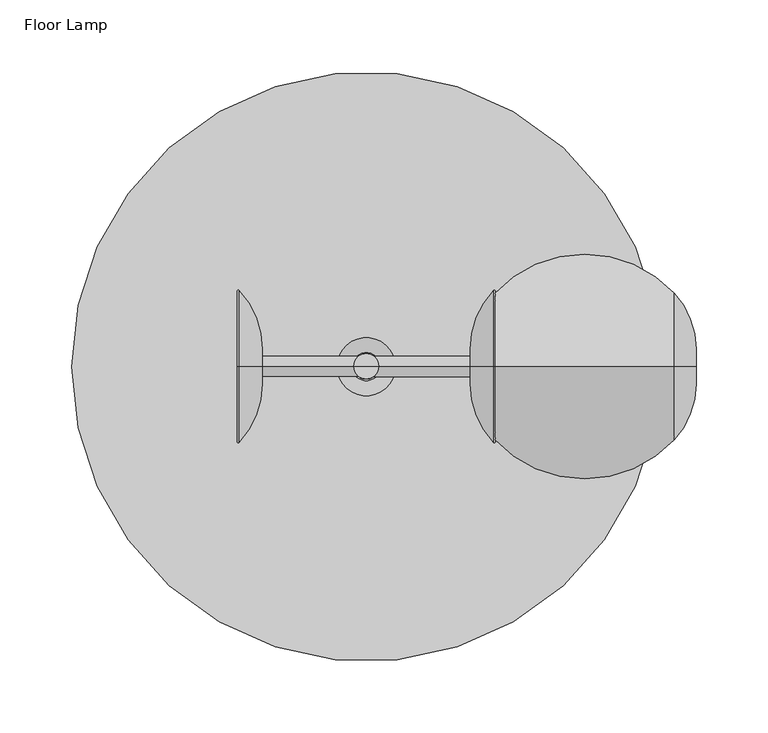
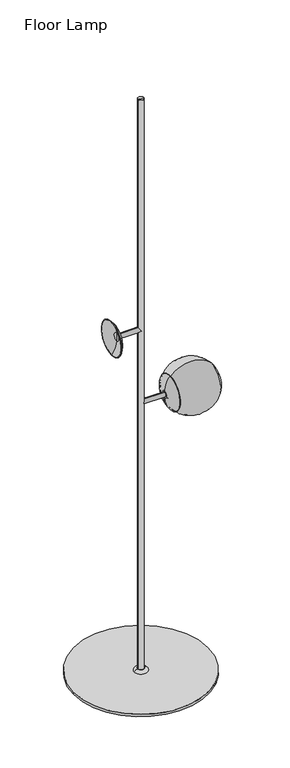
"""IFC4 building model written with IfcOpenShell, lengths in millimetres: furniture geometry, Floor Lamp."""

from ifc_helpers import new_model, si_unit, point, frame, origin, origin_with_axes, origin_2d, place, context, project, spatial, circle_curve, ellipse_curve, trimmed, segment, composite_curve, outline, extrude, source, transform, mapped, element, save
from ifc_brep_helpers import plane_surface, cylinder_surface, revolved_surface, advanced_brep


def floor_lamp_aa0b3afb(model_context):
    return source(origin(), model_context, "Body", "SolidModel", [
        advanced_brep(
        [(-72.2801091, 0.0, 1098.1680375), (-72.2801091, 0.0, 1112.24603), (-1.1967367, 0.0, 1112.24603), (-1.1967367, 0.0, 1098.1680375), (-1.1967367, 0.0, 1105.2070337), (-74.2801091, 0.0, 1105.2070337), (-74.2801091, 0.0, 1117.24603), (-74.2801091, 0.0, 1093.1680375), (-89.6540623, 0.0, 1156.5846139), (-89.6540623, 0.0, 1053.8294536), (-89.6540623, 0.0, 1158.2451876), (-89.6540623, 0.0, 1052.1688799), (-88.7916206, 0.0, 1158.5896234), (-88.7916206, 0.0, 1051.8244441), (-72.2801091, 0.0, 1117.24603), (-72.2801091, 0.0, 1093.1680375)],
        [
            (0, 1, circle_curve(frame((-72.2801091, 0.0, 1105.2070337), z_axis=(1.0, 0.0, 0.0), x_axis=(0.0, 0.0, 1.0)), 7.0389962)),
            (1, 2),
            (2, 3, circle_curve(frame((-1.1967367, 0.0, 1105.2070337), z_axis=(-1.0, 0.0, 0.0), x_axis=(0.0, 0.0, 1.0)), 7.0389962)),
            (3, 0),
            (1, 0, circle_curve(frame((-72.2801091, 0.0, 1105.2070337), z_axis=(1.0, 0.0, 0.0), x_axis=(0.0, 0.0, 1.0)), 7.0389962)),
            (3, 2, circle_curve(frame((-1.1967367, 0.0, 1105.2070337), z_axis=(-1.0, 0.0, 0.0), x_axis=(0.0, 0.0, 1.0)), 7.0389962)),
            (2, 4),
            (4, 3),
            (5, 6),
            (6, 7, circle_curve(frame((-74.2801091, 0.0, 1105.2070337), z_axis=(-1.0, 0.0, 0.0), x_axis=(0.0, 0.0, 1.0)), 12.0389962)),
            (7, 5),
            (7, 6, circle_curve(frame((-74.2801091, 0.0, 1105.2070337), z_axis=(-1.0, 0.0, 0.0), x_axis=(0.0, 0.0, 1.0)), 12.0389962)),
            (6, 8, circle_curve(frame((-132.2965023, 0.0, 1117.24603), z_axis=(0.0, -1.0, 0.0), x_axis=(-1.0, 0.0, 0.0)), 58.0163932)),
            (8, 9, circle_curve(frame((-89.6540623, 0.0, 1105.2070337), z_axis=(-1.0, 0.0, 0.0), x_axis=(0.0, 0.0, 1.0)), 51.3775801)),
            (9, 7, circle_curve(frame((-132.2965023, 0.0, 1093.1680375), z_axis=(0.0, -1.0, 0.0), x_axis=(-1.0, 0.0, 0.0)), 58.0163932)),
            (9, 8, circle_curve(frame((-89.6540623, 0.0, 1105.2070337), z_axis=(-1.0, 0.0, 0.0), x_axis=(0.0, 0.0, 1.0)), 51.3775801)),
            (8, 10),
            (10, 11, circle_curve(frame((-89.6540623, 0.0, 1105.2070337), z_axis=(-1.0, 0.0, 0.0), x_axis=(0.0, 0.0, 1.0)), 53.0381538)),
            (11, 9),
            (11, 10, circle_curve(frame((-89.6540623, 0.0, 1105.2070337), z_axis=(-1.0, 0.0, 0.0), x_axis=(0.0, 0.0, 1.0)), 53.0381538)),
            (10, 12, circle_curve(frame((-89.1540623, 0.0, 1158.2451876), z_axis=(0.0, 1.0, 0.0), x_axis=(-1.0, 0.0, 0.0)), 0.5)),
            (12, 13, circle_curve(frame((-88.7916206, 0.0, 1105.2070337), z_axis=(-1.0, 0.0, 0.0), x_axis=(0.0, 0.0, 1.0)), 53.3825897)),
            (13, 11, circle_curve(frame((-89.1540623, 0.0, 1052.1688799), z_axis=(0.0, 1.0, 0.0), x_axis=(-1.0, 0.0, 0.0)), 0.5)),
            (13, 12, circle_curve(frame((-88.7916206, 0.0, 1105.2070337), z_axis=(-1.0, 0.0, 0.0), x_axis=(0.0, 0.0, 1.0)), 53.3825897)),
            (12, 14, circle_curve(frame((-132.2965023, 0.0, 1117.24603), z_axis=(0.0, 1.0, 0.0), x_axis=(-1.0, 0.0, 0.0)), 60.0163932)),
            (14, 15, circle_curve(frame((-72.2801091, 0.0, 1105.2070337), z_axis=(-1.0, 0.0, 0.0), x_axis=(0.0, 0.0, 1.0)), 12.0389962)),
            (15, 13, circle_curve(frame((-132.2965023, 0.0, 1093.1680375), z_axis=(0.0, 1.0, 0.0), x_axis=(-1.0, 0.0, 0.0)), 60.0163932)),
            (15, 14, circle_curve(frame((-72.2801091, 0.0, 1105.2070337), z_axis=(-1.0, 0.0, 0.0), x_axis=(0.0, 0.0, 1.0)), 12.0389962)),
            (14, 1),
            (0, 15),
        ],
        [
            cylinder_surface(frame((14.4837779, 0.0, 1105.2070337), z_axis=(-1.0, 0.0, 0.0), x_axis=(0.0, 0.0, 1.0)), 7.0389962),
            plane_surface(frame((-1.1967367, 0.0, 1105.2070337), z_axis=(1.0, 0.0, 0.0), x_axis=(0.0, 0.0, 1.0))),
            plane_surface(frame((-74.2801091, 0.0, 1105.2070337), z_axis=(-1.0, 0.0, 0.0), x_axis=(0.0, 0.0, 1.0))),
            revolved_surface(trimmed(ellipse_curve(frame((-132.2965023, 0.0, 1117.24603), z_axis=(0.0, 1.0, 0.0), x_axis=(-1.0, 0.0, 0.0)), 58.0163932, 58.0163932), [point((-89.6540623, 0.0, 1156.5846139))], [point((-74.2801091, 0.0, 1117.24603))], True, "CARTESIAN"), (14.4837779, 0.0, 1105.2070337), (-1.0, 0.0, 0.0)),
            plane_surface(frame((-89.6540623, 0.0, 1105.2070337), z_axis=(-1.0, 0.0, 0.0), x_axis=(0.0, 0.0, 1.0))),
            revolved_surface(trimmed(ellipse_curve(frame((-89.1540623, 0.0, 1158.2451876), z_axis=(0.0, -1.0, 0.0), x_axis=(-1.0, 0.0, 0.0)), 0.5, 0.5), [point((-88.7916206, 0.0, 1158.5896234))], [point((-89.6540623, 0.0, 1158.2451876))], True, "CARTESIAN"), (14.4837779, 0.0, 1105.2070337), (-1.0, 0.0, 0.0)),
            revolved_surface(trimmed(ellipse_curve(frame((-132.2965023, 0.0, 1117.24603), z_axis=(0.0, -1.0, 0.0), x_axis=(-1.0, 0.0, 0.0)), 60.0163932, 60.0163932), [point((-72.2801091, 0.0, 1117.24603))], [point((-88.7916206, 0.0, 1158.5896234))], True, "CARTESIAN"), (14.4837779, 0.0, 1105.2070337), (-1.0, 0.0, 0.0)),
            plane_surface(frame((-72.2801091, 0.0, 1105.2070337), z_axis=(1.0, 0.0, 0.0), x_axis=(0.0, 0.0, 1.0))),
        ],
        [
            (0, [[1, 2, 3, 4]]),
            (0, [[5, -4, 6, -2]]),
            (1, [[-3, 7, 8]]),
            (1, [[-6, -8, -7]]),
            (2, [[9, 10, 11]]),
            (2, [[-11, 12, -9]]),
            (3, [[-10, 13, 14, 15]]),
            (3, [[-12, -15, 16, -13]]),
            (4, [[-14, 17, 18, 19]]),
            (4, [[-16, -19, 20, -17]]),
            (5, [[-18, 21, 22, 23]]),
            (5, [[-20, -23, 24, -21]]),
            (6, [[-22, 25, 26, 27]]),
            (6, [[-24, -27, 28, -25]]),
            (7, [[-26, 29, -1, 30]]),
            (7, [[-28, -30, -5, -29]]),
        ],
    ),
        advanced_brep(
        [(229.729236, 0.0, 857.3607346), (229.729236, 0.0, 881.438727), (229.729236, 0.0, 869.3997308), (214.3552829, 0.0, 818.0221506), (214.3552829, 0.0, 920.7773109), (89.6540623, 0.0, 818.0221506), (89.6540623, 0.0, 920.7773109), (89.6540623, 0.0, 819.5074307), (89.6540623, 0.0, 919.2920309), (213.6202761, 0.0, 818.7002104), (213.6202761, 0.0, 920.0992511), (228.729236, 0.0, 857.3607346), (228.729236, 0.0, 881.438727), (228.729236, 0.0, 869.3997308)],
        [
            (0, 1, circle_curve(frame((229.729236, 0.0, 869.3997308), z_axis=(1.0, 0.0, 0.0), x_axis=(0.0, 0.0, 1.0)), 12.0389962)),
            (1, 2),
            (2, 0),
            (1, 0, circle_curve(frame((229.729236, 0.0, 869.3997308), z_axis=(1.0, 0.0, 0.0), x_axis=(0.0, 0.0, 1.0)), 12.0389962)),
            (3, 4, circle_curve(frame((214.3552829, 0.0, 869.3997308), z_axis=(1.0, 0.0, 0.0), x_axis=(0.0, 0.0, 1.0)), 51.3775801)),
            (4, 1, circle_curve(frame((171.7128428, 0.0, 881.438727), z_axis=(0.0, 1.0, 0.0), x_axis=(-1.0, 0.0, 0.0)), 58.0163932)),
            (0, 3, circle_curve(frame((171.7128428, 0.0, 857.3607346), z_axis=(0.0, 1.0, 0.0), x_axis=(-1.0, 0.0, 0.0)), 58.0163932)),
            (4, 3, circle_curve(frame((214.3552829, 0.0, 869.3997308), z_axis=(1.0, 0.0, 0.0), x_axis=(0.0, 0.0, 1.0)), 51.3775801)),
            (5, 6, circle_curve(frame((89.6540623, 0.0, 869.3997308), z_axis=(1.0, 0.0, 0.0), x_axis=(0.0, 0.0, 1.0)), 51.3775801)),
            (6, 4, circle_curve(frame((152.0046726, 0.0, 863.2575087), z_axis=(0.0, 1.0, 0.0), x_axis=(1.0, 0.0, 0.0)), 84.8299844)),
            (3, 5, circle_curve(frame((152.0046726, 0.0, 875.5419528), z_axis=(0.0, 1.0, 0.0), x_axis=(1.0, 0.0, 0.0)), 84.8299844)),
            (6, 5, circle_curve(frame((89.6540623, 0.0, 869.3997308), z_axis=(1.0, 0.0, 0.0), x_axis=(0.0, 0.0, 1.0)), 51.3775801)),
            (7, 8, circle_curve(frame((89.6540623, 0.0, 869.3997308), z_axis=(1.0, 0.0, 0.0), x_axis=(0.0, 0.0, 1.0)), 49.8923001)),
            (8, 6),
            (5, 7),
            (8, 7, circle_curve(frame((89.6540623, 0.0, 869.3997308), z_axis=(1.0, 0.0, 0.0), x_axis=(0.0, 0.0, 1.0)), 49.8923001)),
            (9, 10, circle_curve(frame((213.6202761, 0.0, 869.3997308), z_axis=(1.0, 0.0, 0.0), x_axis=(0.0, 0.0, 1.0)), 50.6995203)),
            (10, 8, circle_curve(frame((152.0046726, 0.0, 863.2575087), z_axis=(0.0, -1.0, 0.0), x_axis=(1.0, 0.0, 0.0)), 83.8299844)),
            (7, 9, circle_curve(frame((152.0046726, 0.0, 875.5419528), z_axis=(0.0, -1.0, 0.0), x_axis=(1.0, 0.0, 0.0)), 83.8299844)),
            (10, 9, circle_curve(frame((213.6202761, 0.0, 869.3997308), z_axis=(1.0, 0.0, 0.0), x_axis=(0.0, 0.0, 1.0)), 50.6995203)),
            (11, 12, circle_curve(frame((228.729236, 0.0, 869.3997308), z_axis=(1.0, 0.0, 0.0), x_axis=(0.0, 0.0, 1.0)), 12.0389962)),
            (12, 10, circle_curve(frame((171.7128428, 0.0, 881.438727), z_axis=(0.0, -1.0, 0.0), x_axis=(-1.0, 0.0, 0.0)), 57.0163932)),
            (9, 11, circle_curve(frame((171.7128428, 0.0, 857.3607346), z_axis=(0.0, -1.0, 0.0), x_axis=(-1.0, 0.0, 0.0)), 57.0163932)),
            (12, 11, circle_curve(frame((228.729236, 0.0, 869.3997308), z_axis=(1.0, 0.0, 0.0), x_axis=(0.0, 0.0, 1.0)), 12.0389962)),
            (13, 12),
            (11, 13),
        ],
        [
            plane_surface(frame((229.729236, 0.0, 869.3997308), z_axis=(1.0, 0.0, 0.0), x_axis=(0.0, 0.0, 1.0))),
            revolved_surface(trimmed(ellipse_curve(frame((171.7128428, 0.0, 881.438727), z_axis=(0.0, -1.0, 0.0), x_axis=(-1.0, 0.0, 0.0)), 58.0163932, 58.0163932), [point((229.729236, 0.0, 881.438727))], [point((214.3552829, 0.0, 920.7773109))], True, "CARTESIAN"), (-14.4837779, 0.0, 869.3997308), (-1.0, 0.0, 0.0)),
            revolved_surface(trimmed(ellipse_curve(frame((152.0046726, 0.0, 863.2575087), z_axis=(0.0, -1.0, 0.0), x_axis=(1.0, 0.0, 0.0)), 84.8299844, 84.8299844), [point((214.3552829, 0.0, 920.7773109))], [point((89.6540623, 0.0, 920.7773109))], True, "CARTESIAN"), (-14.4837779, 0.0, 869.3997308), (-1.0, 0.0, 0.0)),
            plane_surface(frame((89.6540623, 0.0, 869.3997308), z_axis=(-1.0, 0.0, 0.0), x_axis=(0.0, 0.0, 1.0))),
            revolved_surface(trimmed(ellipse_curve(frame((152.0046726, 0.0, 863.2575087), z_axis=(0.0, 1.0, 0.0), x_axis=(1.0, 0.0, 0.0)), 83.8299844, 83.8299844), [point((89.6540623, 0.0, 919.2920309))], [point((213.6202761, 0.0, 920.0992511))], True, "CARTESIAN"), (-14.4837779, 0.0, 869.3997308), (-1.0, 0.0, 0.0)),
            revolved_surface(trimmed(ellipse_curve(frame((171.7128428, 0.0, 881.438727), z_axis=(0.0, 1.0, 0.0), x_axis=(-1.0, 0.0, 0.0)), 57.0163932, 57.0163932), [point((213.6202761, 0.0, 920.0992511))], [point((228.729236, 0.0, 881.438727))], True, "CARTESIAN"), (-14.4837779, 0.0, 869.3997308), (-1.0, 0.0, 0.0)),
            plane_surface(frame((228.729236, 0.0, 869.3997308), z_axis=(-1.0, 0.0, 0.0), x_axis=(0.0, 0.0, 1.0))),
        ],
        [
            (0, [[1, 2, 3]]),
            (0, [[4, -3, -2]]),
            (1, [[5, 6, -1, 7]]),
            (1, [[8, -7, -4, -6]]),
            (2, [[9, 10, -5, 11]]),
            (2, [[12, -11, -8, -10]]),
            (3, [[13, 14, -9, 15]]),
            (3, [[16, -15, -12, -14]]),
            (4, [[17, 18, -13, 19]]),
            (4, [[20, -19, -16, -18]]),
            (5, [[21, 22, -17, 23]]),
            (5, [[24, -23, -20, -22]]),
            (6, [[25, -21, 26]]),
            (6, [[-26, -24, -25]]),
        ],
    ),
        advanced_brep(
        [(75.2801091, 0.0, 869.3997308), (75.2801091, 0.0, 875.1628311), (75.2801091, 0.0, 863.6366304), (137.3701269, 0.0, 853.6366304), (137.3701269, 0.0, 885.1628311), (137.3701269, 0.0, 869.3997308), (85.2801091, 0.0, 853.6366304), (85.2801091, 0.0, 885.1628311)],
        [
            (0, 1),
            (1, 2, circle_curve(frame((75.2801091, 0.0, 869.3997308), z_axis=(-1.0, 0.0, 0.0), x_axis=(0.0, 0.0, 1.0)), 5.7631003)),
            (2, 0),
            (2, 1, circle_curve(frame((75.2801091, 0.0, 869.3997308), z_axis=(-1.0, 0.0, 0.0), x_axis=(0.0, 0.0, 1.0)), 5.7631003)),
            (3, 4, circle_curve(frame((137.3701269, 0.0, 869.3997308), z_axis=(1.0, 0.0, 0.0), x_axis=(0.0, 0.0, 1.0)), 15.7631003)),
            (4, 5),
            (5, 3),
            (4, 3, circle_curve(frame((137.3701269, 0.0, 869.3997308), z_axis=(1.0, 0.0, 0.0), x_axis=(0.0, 0.0, 1.0)), 15.7631003)),
            (6, 7, circle_curve(frame((85.2801091, 0.0, 869.3997308), z_axis=(1.0, 0.0, 0.0), x_axis=(0.0, 0.0, 1.0)), 15.7631003)),
            (7, 4),
            (3, 6),
            (7, 6, circle_curve(frame((85.2801091, 0.0, 869.3997308), z_axis=(1.0, 0.0, 0.0), x_axis=(0.0, 0.0, 1.0)), 15.7631003)),
            (1, 7, circle_curve(frame((85.2801091, 0.0, 875.1628311), z_axis=(0.0, 1.0, 0.0), x_axis=(1.0, 0.0, 0.0)), 10.0)),
            (6, 2, circle_curve(frame((85.2801091, 0.0, 863.6366304), z_axis=(0.0, 1.0, 0.0), x_axis=(1.0, 0.0, 0.0)), 10.0)),
        ],
        [
            plane_surface(frame((75.2801091, 0.0, 869.3997308), z_axis=(-1.0, 0.0, 0.0), x_axis=(0.0, 0.0, 1.0))),
            plane_surface(frame((137.3701269, 0.0, 869.3997308), z_axis=(1.0, 0.0, 0.0), x_axis=(0.0, 0.0, 1.0))),
            cylinder_surface(frame((37.800932, 0.0, 869.3997308), z_axis=(-1.0, 0.0, 0.0), x_axis=(0.0, 0.0, 1.0)), 15.7631003),
            revolved_surface(trimmed(ellipse_curve(frame((85.2801091, 0.0, 875.1628311), z_axis=(0.0, -1.0, 0.0), x_axis=(1.0, 0.0, 0.0)), 10.0, 10.0), [point((85.2801091, 0.0, 885.1628311))], [point((75.2801091, 0.0, 875.1628311))], True, "CARTESIAN"), (37.800932, 0.0, 869.3997308), (-1.0, 0.0, 0.0)),
        ],
        [
            (0, [[1, 2, 3]]),
            (0, [[-3, 4, -1]]),
            (1, [[5, 6, 7]]),
            (1, [[8, -7, -6]]),
            (2, [[9, 10, -5, 11]]),
            (2, [[12, -11, -8, -10]]),
            (3, [[-2, 13, -9, 14]]),
            (3, [[-4, -14, -12, -13]]),
        ],
    ),
        advanced_brep(
        [(74.2801091, 0.0, 869.3997308), (74.2801091, 0.0, 881.438727), (74.2801091, 0.0, 857.3607346), (89.6540623, 0.0, 920.7773109), (89.6540623, 0.0, 818.0221506), (75.2801091, 0.0, 857.3607346), (75.2801091, 0.0, 881.438727), (75.2801091, 0.0, 869.3997308), (89.6540623, 0.0, 819.5124665), (89.6540623, 0.0, 919.2869951)],
        [
            (0, 1),
            (1, 2, circle_curve(frame((74.2801091, 0.0, 869.3997308), z_axis=(-1.0, 0.0, 0.0), x_axis=(0.0, 0.0, 1.0)), 12.0389962)),
            (2, 0),
            (2, 1, circle_curve(frame((74.2801091, 0.0, 869.3997308), z_axis=(-1.0, 0.0, 0.0), x_axis=(0.0, 0.0, 1.0)), 12.0389962)),
            (1, 3, circle_curve(frame((132.2965023, 0.0, 881.438727), z_axis=(0.0, 1.0, 0.0), x_axis=(1.0, 0.0, 0.0)), 58.0163932)),
            (3, 4, circle_curve(frame((89.6540623, 0.0, 869.3997308), z_axis=(-1.0, 0.0, 0.0), x_axis=(0.0, 0.0, 1.0)), 51.3775801)),
            (4, 2, circle_curve(frame((132.2965023, 0.0, 857.3607346), z_axis=(0.0, 1.0, 0.0), x_axis=(1.0, 0.0, 0.0)), 58.0163932)),
            (4, 3, circle_curve(frame((89.6540623, 0.0, 869.3997308), z_axis=(-1.0, 0.0, 0.0), x_axis=(0.0, 0.0, 1.0)), 51.3775801)),
            (5, 6, circle_curve(frame((75.2801091, 0.0, 869.3997308), z_axis=(1.0, 0.0, 0.0), x_axis=(0.0, 0.0, 1.0)), 12.0389962)),
            (6, 7),
            (7, 5),
            (6, 5, circle_curve(frame((75.2801091, 0.0, 869.3997308), z_axis=(1.0, 0.0, 0.0), x_axis=(0.0, 0.0, 1.0)), 12.0389962)),
            (8, 9, circle_curve(frame((89.6540623, 0.0, 869.3997308), z_axis=(1.0, 0.0, 0.0), x_axis=(0.0, 0.0, 1.0)), 49.8872643)),
            (9, 6, circle_curve(frame((132.2965023, 0.0, 881.438727), z_axis=(0.0, -1.0, 0.0), x_axis=(1.0, 0.0, 0.0)), 57.0163932)),
            (5, 8, circle_curve(frame((132.2965023, 0.0, 857.3607346), z_axis=(0.0, -1.0, 0.0), x_axis=(1.0, 0.0, 0.0)), 57.0163932)),
            (9, 8, circle_curve(frame((89.6540623, 0.0, 869.3997308), z_axis=(1.0, 0.0, 0.0), x_axis=(0.0, 0.0, 1.0)), 49.8872643)),
            (3, 9),
            (8, 4),
        ],
        [
            plane_surface(frame((74.2801091, 0.0, 869.3997308), z_axis=(-1.0, 0.0, 0.0), x_axis=(0.0, 0.0, 1.0))),
            revolved_surface(trimmed(ellipse_curve(frame((132.2965023, 0.0, 881.438727), z_axis=(0.0, -1.0, 0.0), x_axis=(1.0, 0.0, 0.0)), 58.0163932, 58.0163932), [point((89.6540623, 0.0, 920.7773109))], [point((74.2801091, 0.0, 881.438727))], True, "CARTESIAN"), (37.800932, 0.0, 869.3997308), (-1.0, 0.0, 0.0)),
            plane_surface(frame((75.2801091, 0.0, 869.3997308), z_axis=(1.0, 0.0, 0.0), x_axis=(0.0, 0.0, 1.0))),
            revolved_surface(trimmed(ellipse_curve(frame((132.2965023, 0.0, 881.438727), z_axis=(0.0, 1.0, 0.0), x_axis=(1.0, 0.0, 0.0)), 57.0163932, 57.0163932), [point((75.2801091, 0.0, 881.438727))], [point((89.6540623, 0.0, 919.2869951))], True, "CARTESIAN"), (37.800932, 0.0, 869.3997308), (-1.0, 0.0, 0.0)),
            plane_surface(frame((89.6540623, 0.0, 869.3997308), z_axis=(1.0, 0.0, 0.0), x_axis=(0.0, 0.0, 1.0))),
        ],
        [
            (0, [[1, 2, 3]]),
            (0, [[-3, 4, -1]]),
            (1, [[-2, 5, 6, 7]]),
            (1, [[-4, -7, 8, -5]]),
            (2, [[9, 10, 11]]),
            (2, [[12, -11, -10]]),
            (3, [[13, 14, -9, 15]]),
            (3, [[16, -15, -12, -14]]),
            (4, [[-6, 17, -13, 18]]),
            (4, [[-8, -18, -16, -17]]),
        ],
    ),
        advanced_brep(
        [(1.9005625, 0.0, 862.3607346), (1.9005625, 0.0, 876.438727), (72.2801091, 0.0, 876.438727), (72.2801091, 0.0, 862.3607346), (1.9005625, 0.0, 869.3997308), (74.2801091, 0.0, 857.3607346), (74.2801091, 0.0, 881.438727), (74.2801091, 0.0, 869.3997308), (89.6540623, 0.0, 818.0221506), (89.6540623, 0.0, 920.7773109), (89.6540623, 0.0, 816.361577), (89.6540623, 0.0, 922.4378846), (88.7916206, 0.0, 816.0171411), (88.7916206, 0.0, 922.7823204), (72.2801091, 0.0, 857.3607346), (72.2801091, 0.0, 881.438727)],
        [
            (0, 1, circle_curve(frame((1.9005625, 0.0, 869.3997308), z_axis=(1.0, 0.0, 0.0), x_axis=(0.0, 0.0, 1.0)), 7.0389962)),
            (1, 2),
            (2, 3, circle_curve(frame((72.2801091, 0.0, 869.3997308), z_axis=(-1.0, 0.0, 0.0), x_axis=(0.0, 0.0, 1.0)), 7.0389962)),
            (3, 0),
            (1, 0, circle_curve(frame((1.9005625, 0.0, 869.3997308), z_axis=(1.0, 0.0, 0.0), x_axis=(0.0, 0.0, 1.0)), 7.0389962)),
            (3, 2, circle_curve(frame((72.2801091, 0.0, 869.3997308), z_axis=(-1.0, 0.0, 0.0), x_axis=(0.0, 0.0, 1.0)), 7.0389962)),
            (4, 1),
            (0, 4),
            (5, 6, circle_curve(frame((74.2801091, 0.0, 869.3997308), z_axis=(1.0, 0.0, 0.0), x_axis=(0.0, 0.0, 1.0)), 12.0389962)),
            (6, 7),
            (7, 5),
            (6, 5, circle_curve(frame((74.2801091, 0.0, 869.3997308), z_axis=(1.0, 0.0, 0.0), x_axis=(0.0, 0.0, 1.0)), 12.0389962)),
            (8, 9, circle_curve(frame((89.6540623, 0.0, 869.3997308), z_axis=(1.0, 0.0, 0.0), x_axis=(0.0, 0.0, 1.0)), 51.3775801)),
            (9, 6, circle_curve(frame((132.2965023, 0.0, 881.438727), z_axis=(0.0, -1.0, 0.0), x_axis=(1.0, 0.0, 0.0)), 58.0163932)),
            (5, 8, circle_curve(frame((132.2965023, 0.0, 857.3607346), z_axis=(0.0, -1.0, 0.0), x_axis=(1.0, 0.0, 0.0)), 58.0163932)),
            (9, 8, circle_curve(frame((89.6540623, 0.0, 869.3997308), z_axis=(1.0, 0.0, 0.0), x_axis=(0.0, 0.0, 1.0)), 51.3775801)),
            (10, 11, circle_curve(frame((89.6540623, 0.0, 869.3997308), z_axis=(1.0, 0.0, 0.0), x_axis=(0.0, 0.0, 1.0)), 53.0381538)),
            (11, 9),
            (8, 10),
            (11, 10, circle_curve(frame((89.6540623, 0.0, 869.3997308), z_axis=(1.0, 0.0, 0.0), x_axis=(0.0, 0.0, 1.0)), 53.0381538)),
            (12, 13, circle_curve(frame((88.7916206, 0.0, 869.3997308), z_axis=(1.0, 0.0, 0.0), x_axis=(0.0, 0.0, 1.0)), 53.3825897)),
            (13, 11, circle_curve(frame((89.1540623, 0.0, 922.4378846), z_axis=(0.0, 1.0, 0.0), x_axis=(1.0, 0.0, 0.0)), 0.5)),
            (10, 12, circle_curve(frame((89.1540623, 0.0, 816.361577), z_axis=(0.0, 1.0, 0.0), x_axis=(1.0, 0.0, 0.0)), 0.5)),
            (13, 12, circle_curve(frame((88.7916206, 0.0, 869.3997308), z_axis=(1.0, 0.0, 0.0), x_axis=(0.0, 0.0, 1.0)), 53.3825897)),
            (14, 15, circle_curve(frame((72.2801091, 0.0, 869.3997308), z_axis=(1.0, 0.0, 0.0), x_axis=(0.0, 0.0, 1.0)), 12.0389962)),
            (15, 13, circle_curve(frame((132.2965023, 0.0, 881.438727), z_axis=(0.0, 1.0, 0.0), x_axis=(1.0, 0.0, 0.0)), 60.0163932)),
            (12, 14, circle_curve(frame((132.2965023, 0.0, 857.3607346), z_axis=(0.0, 1.0, 0.0), x_axis=(1.0, 0.0, 0.0)), 60.0163932)),
            (15, 14, circle_curve(frame((72.2801091, 0.0, 869.3997308), z_axis=(1.0, 0.0, 0.0), x_axis=(0.0, 0.0, 1.0)), 12.0389962)),
            (2, 15),
            (14, 3),
        ],
        [
            cylinder_surface(frame((-14.4837779, 0.0, 869.3997308), z_axis=(-1.0, 0.0, 0.0), x_axis=(0.0, 0.0, 1.0)), 7.0389962),
            plane_surface(frame((1.9005625, 0.0, 869.3997308), z_axis=(-1.0, 0.0, 0.0), x_axis=(0.0, 0.0, 1.0))),
            plane_surface(frame((74.2801091, 0.0, 869.3997308), z_axis=(1.0, 0.0, 0.0), x_axis=(0.0, 0.0, 1.0))),
            revolved_surface(trimmed(ellipse_curve(frame((132.2965023, 0.0, 881.438727), z_axis=(0.0, 1.0, 0.0), x_axis=(1.0, 0.0, 0.0)), 58.0163932, 58.0163932), [point((74.2801091, 0.0, 881.438727))], [point((89.6540623, 0.0, 920.7773109))], True, "CARTESIAN"), (-14.4837779, 0.0, 869.3997308), (-1.0, 0.0, 0.0)),
            plane_surface(frame((89.6540623, 0.0, 869.3997308), z_axis=(1.0, 0.0, 0.0), x_axis=(0.0, 0.0, 1.0))),
            revolved_surface(trimmed(ellipse_curve(frame((89.1540623, 0.0, 922.4378846), z_axis=(0.0, -1.0, 0.0), x_axis=(1.0, 0.0, 0.0)), 0.5, 0.5), [point((89.6540623, 0.0, 922.4378846))], [point((88.7916206, 0.0, 922.7823204))], True, "CARTESIAN"), (-14.4837779, 0.0, 869.3997308), (-1.0, 0.0, 0.0)),
            revolved_surface(trimmed(ellipse_curve(frame((132.2965023, 0.0, 881.438727), z_axis=(0.0, -1.0, 0.0), x_axis=(1.0, 0.0, 0.0)), 60.0163932, 60.0163932), [point((88.7916206, 0.0, 922.7823204))], [point((72.2801091, 0.0, 881.438727))], True, "CARTESIAN"), (-14.4837779, 0.0, 869.3997308), (-1.0, 0.0, 0.0)),
            plane_surface(frame((72.2801091, 0.0, 869.3997308), z_axis=(-1.0, 0.0, 0.0), x_axis=(0.0, 0.0, 1.0))),
        ],
        [
            (0, [[1, 2, 3, 4]]),
            (0, [[5, -4, 6, -2]]),
            (1, [[7, -1, 8]]),
            (1, [[-8, -5, -7]]),
            (2, [[9, 10, 11]]),
            (2, [[12, -11, -10]]),
            (3, [[13, 14, -9, 15]]),
            (3, [[16, -15, -12, -14]]),
            (4, [[17, 18, -13, 19]]),
            (4, [[20, -19, -16, -18]]),
            (5, [[21, 22, -17, 23]]),
            (5, [[24, -23, -20, -22]]),
            (6, [[25, 26, -21, 27]]),
            (6, [[28, -27, -24, -26]]),
            (7, [[-3, 29, -25, 30]]),
            (7, [[-6, -30, -28, -29]]),
        ],
    ),
        advanced_brep(
        [(8.7101133, 0.0, 14.5704746), (-8.7101133, 0.0, 14.5704746), (-8.7101133, 0.0, 1846.5586465), (8.7101133, 0.0, 1846.5586465), (9.7101133, 0.0, 14.5704746), (-9.7101133, 0.0, 14.5704746), (20.2676575, 0.0, 7.6353867), (-20.2676575, 0.0, 7.6353867), (0.0, 0.0, 7.6353867), (0.0, 0.0, 1846.5586465)],
        [
            (0, 1, circle_curve(frame((0.0, 0.0, 14.5704746), z_axis=(0.0, 0.0, 1.0), x_axis=(-1.0, 0.0, 0.0)), 8.7101133)),
            (1, 2),
            (2, 3, circle_curve(frame((0.0, 0.0, 1846.5586465), z_axis=(0.0, 0.0, -1.0), x_axis=(-1.0, 0.0, 0.0)), 8.7101133)),
            (3, 0),
            (1, 0, circle_curve(frame((0.0, 0.0, 14.5704746), z_axis=(0.0, 0.0, 1.0), x_axis=(-1.0, 0.0, 0.0)), 8.7101133)),
            (3, 2, circle_curve(frame((0.0, 0.0, 1846.5586465), z_axis=(0.0, 0.0, -1.0), x_axis=(-1.0, 0.0, 0.0)), 8.7101133)),
            (4, 5, circle_curve(frame((0.0, 0.0, 14.5704746), z_axis=(0.0, 0.0, 1.0), x_axis=(-1.0, 0.0, 0.0)), 9.7101133)),
            (5, 1),
            (0, 4),
            (5, 4, circle_curve(frame((0.0, 0.0, 14.5704746), z_axis=(0.0, 0.0, 1.0), x_axis=(-1.0, 0.0, 0.0)), 9.7101133)),
            (6, 7, circle_curve(frame((0.0, 0.0, 7.6353867), z_axis=(0.0, 0.0, 1.0), x_axis=(-1.0, 0.0, 0.0)), 20.2676575)),
            (7, 5, circle_curve(frame((-9.7101133, 0.0, 3.0668581), z_axis=(0.0, 1.0, 0.0), x_axis=(1.0, 0.0, 0.0)), 11.5036165)),
            (4, 6, circle_curve(frame((9.7101133, 0.0, 3.0668581), z_axis=(0.0, 1.0, 0.0), x_axis=(-1.0, 0.0, 0.0)), 11.5036165)),
            (7, 6, circle_curve(frame((0.0, 0.0, 7.6353867), z_axis=(0.0, 0.0, 1.0), x_axis=(-1.0, 0.0, 0.0)), 20.2676575)),
            (8, 7),
            (6, 8),
            (2, 9),
            (9, 3),
        ],
        [
            cylinder_surface(frame((0.0, 0.0, 2016.5586465), z_axis=(0.0, 0.0, -1.0), x_axis=(-1.0, 0.0, 0.0)), 8.7101133),
            plane_surface(frame((0.0, 0.0, 14.5704746), z_axis=(0.0, 0.0, 1.0), x_axis=(-1.0, 0.0, 0.0))),
            revolved_surface(trimmed(ellipse_curve(frame((-9.7101133, 0.0, 3.0668581), z_axis=(0.0, -1.0, 0.0), x_axis=(1.0, 0.0, 0.0)), 11.5036165, 11.5036165), [point((-9.7101133, 0.0, 14.5704746))], [point((-20.2676575, 0.0, 7.6353867))], True, "CARTESIAN"), (0.0, 0.0, 2016.5586465), (0.0, 0.0, -1.0)),
            plane_surface(frame((0.0, 0.0, 7.6353867), z_axis=(0.0, 0.0, -1.0), x_axis=(-1.0, 0.0, 0.0))),
            plane_surface(frame((0.0, 0.0, 1846.5586465), z_axis=(0.0, 0.0, 1.0), x_axis=(-1.0, 0.0, 0.0))),
        ],
        [
            (0, [[1, 2, 3, 4]]),
            (0, [[5, -4, 6, -2]]),
            (1, [[7, 8, -1, 9]]),
            (1, [[10, -9, -5, -8]]),
            (2, [[11, 12, -7, 13]]),
            (2, [[14, -13, -10, -12]]),
            (3, [[15, -11, 16]]),
            (3, [[-16, -14, -15]]),
            (4, [[-3, 17, 18]]),
            (4, [[-6, -18, -17]]),
        ],
    ),
        extrude(outline(composite_curve([segment(trimmed(circle_curve(origin_2d(), 205.0), [point((-205.0, 0.0))], [point((205.0, 0.0))], False, "CARTESIAN"), True, "CONTINUOUS"), segment(trimmed(circle_curve(origin_2d(), 205.0), [point((205.0, 0.0))], [point((-205.0, 0.0))], False, "CARTESIAN"), True, "CONTINUOUS")], self_intersect=False)), origin_with_axes(), (0.0, 0.0, 1.0), 7.6353867),
    ])


if __name__ == "__main__":
    model = new_model("IFC4")
    model_context = context("Model", 3, world=origin())
    ifc_project = project(units=[si_unit("LENGTHUNIT", "METRE", prefix="MILLI")], contexts=[model_context])
    site = spatial("IfcSite", under=ifc_project)
    building = spatial("IfcBuilding", under=site)
    placement = place(None, origin())
    floor_lamp_shape = floor_lamp_aa0b3afb(model_context)
    element("IfcFurniture", 1, ObjectType="Floor Lamp", at=placement, inside=building, context=model_context, shape_type="MappedRepresentation", body=[
        mapped(floor_lamp_shape, transform((0.0, 0.0, 0.0), x_axis=(1.0, 0.0, 0.0), y_axis=(0.0, 1.0, 0.0), z_axis=(0.0, 0.0, 1.0))),
    ])
    save(model, "model.ifc")
